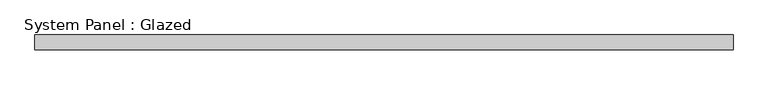
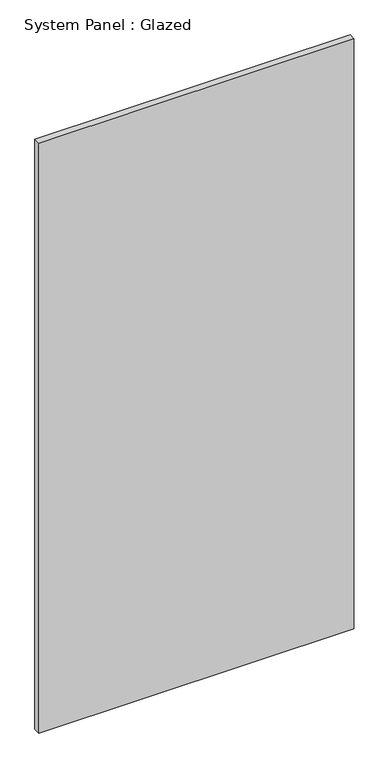
"""IFC4 building model written with IfcOpenShell, lengths in millimetres: plate geometry, System Panel : Glazed."""

from ifc_helpers import new_model, si_unit, origin, origin_with_axes, place, context, project, spatial, polyline, outline, extrude, source, transform, mapped, element, save


def system_panel_glazed_60fdcafd(model_context):
    return source(origin(), model_context, "Body", "SweptSolid", [
        extrude(outline(polyline([(587.5000001, 24.5), (-587.5000001, 24.5), (-587.5000001, 49.5), (587.5000001, 49.5), (587.5000001, 24.5)])), origin_with_axes(), (0.0, 0.0, 1.0), 2325.0),
    ])


if __name__ == "__main__":
    model = new_model("IFC4")
    model_context = context("Model", 3, world=origin())
    ifc_project = project(units=[si_unit("LENGTHUNIT", "METRE", prefix="MILLI")], contexts=[model_context])
    site = spatial("IfcSite", under=ifc_project)
    building = spatial("IfcBuilding", under=site)
    placement = place(None, origin())
    system_panel_glazed_shape = system_panel_glazed_60fdcafd(model_context)
    element("IfcPlate", 1, ObjectType="System Panel : Glazed", at=placement, inside=building, context=model_context, shape_type="MappedRepresentation", body=[
        mapped(system_panel_glazed_shape, transform((0.0, 0.0, 0.0), x_axis=(1.0, 0.0, 0.0), y_axis=(0.0, 1.0, 0.0), z_axis=(0.0, 0.0, 1.0))),
    ])
    save(model, "model.ifc")
